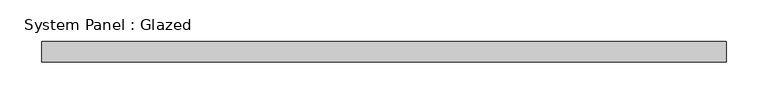
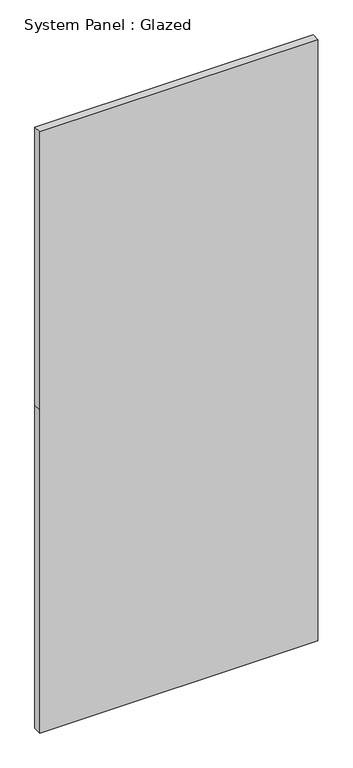
"""IFC4 building model written with IfcOpenShell, lengths in millimetres: plate geometry, System Panel : Glazed."""

from ifc_helpers import new_model, si_unit, frame, origin, place, context, project, spatial, polyline, outline, extrude, source, transform, mapped, element, save


def system_panel_glazed_8be29d86(model_context):
    return source(origin(), model_context, "Body", "SweptSolid", [
        extrude(outline(polyline([(0.0, -412.5), (0.0, 412.5), (1013.3333333, 412.5), (1885.0, 412.5), (1885.0, -412.5), (1013.3333333, -412.5), (0.0, -412.5)])), frame((0.0, 24.5, 0.0), z_axis=(0.0, 1.0, 0.0), x_axis=(0.0, 0.0, 1.0)), (0.0, 0.0, 1.0), 25.0),
    ])


if __name__ == "__main__":
    model = new_model("IFC4")
    model_context = context("Model", 3, world=origin())
    ifc_project = project(units=[si_unit("LENGTHUNIT", "METRE", prefix="MILLI")], contexts=[model_context])
    site = spatial("IfcSite", under=ifc_project)
    building = spatial("IfcBuilding", under=site)
    placement = place(None, origin())
    system_panel_glazed_shape = system_panel_glazed_8be29d86(model_context)
    element("IfcPlate", 1, ObjectType="System Panel : Glazed", at=placement, inside=building, context=model_context, shape_type="MappedRepresentation", body=[
        mapped(system_panel_glazed_shape, transform((0.0, 0.0, 0.0), x_axis=(1.0, 0.0, 0.0), y_axis=(0.0, 1.0, 0.0), z_axis=(0.0, 0.0, 1.0))),
    ])
    save(model, "model.ifc")
